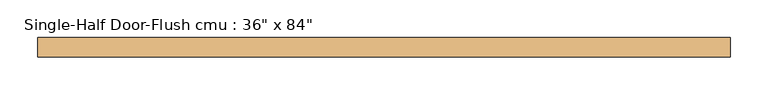
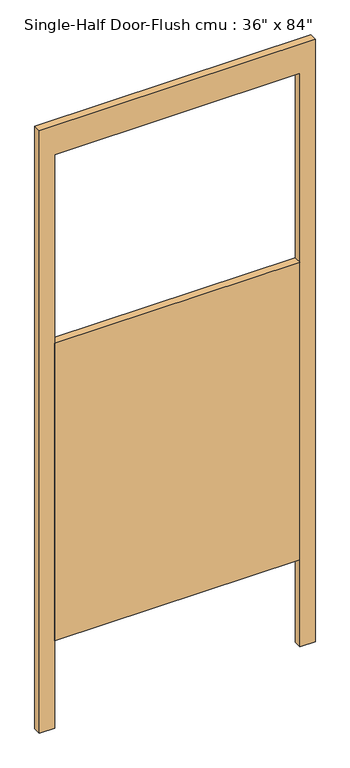
"""IFC4 building model written with IfcOpenShell, lengths in millimetres: door geometry."""

from ifc_helpers import new_model, si_unit, frame, origin, place, context, project, spatial, polyline, outline, extrude, source, transform, mapped, element, save


def door_2e55bc1e(model_context):
    return source(origin(), model_context, "Body", "SweptSolid", [
        extrude(outline(polyline([(2108.2, 457.2), (2108.2, -457.2), (0.0, -457.2), (0.0, -406.4), (2006.6, -406.4), (2006.6, 406.4), (0.0, 406.4), (0.0, 457.2), (2108.2, 457.2)])), frame((0.0, -14.2875, 0.0), z_axis=(0.0, 1.0, 0.0), x_axis=(0.0, 0.0, 1.0)), (0.0, 0.0, 1.0), 25.4),
        extrude(outline(polyline([(406.4, 11.1125), (406.4, -14.2875), (-406.4, -14.2875), (-406.4, 11.1125), (406.4, 11.1125)])), frame((0.0, 0.0, 304.8), z_axis=(0.0, 0.0, 1.0), x_axis=(1.0, 0.0, 0.0)), (0.0, 0.0, 1.0), 1041.4),
    ])


if __name__ == "__main__":
    model = new_model("IFC4")
    model_context = context("Model", 3, world=origin())
    ifc_project = project(units=[si_unit("LENGTHUNIT", "METRE", prefix="MILLI")], contexts=[model_context])
    site = spatial("IfcSite", under=ifc_project)
    building = spatial("IfcBuilding", under=site)
    placement = place(None, origin())
    door_shape = door_2e55bc1e(model_context)
    element("IfcDoor", 1, ObjectType="Single-Half Door-Flush cmu : 36\" x 84\"", at=placement, inside=building, context=model_context, shape_type="MappedRepresentation", body=[
        mapped(door_shape, transform((0.0, 0.0, 0.0), x_axis=(1.0, 0.0, 0.0), y_axis=(0.0, 1.0, 0.0), z_axis=(0.0, 0.0, 1.0))),
    ])
    save(model, "model.ifc")
